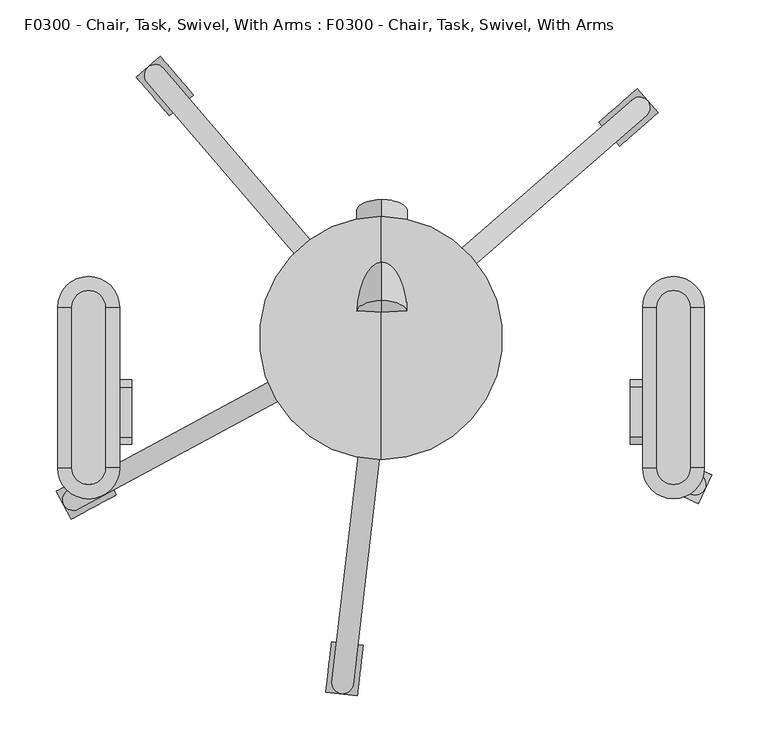
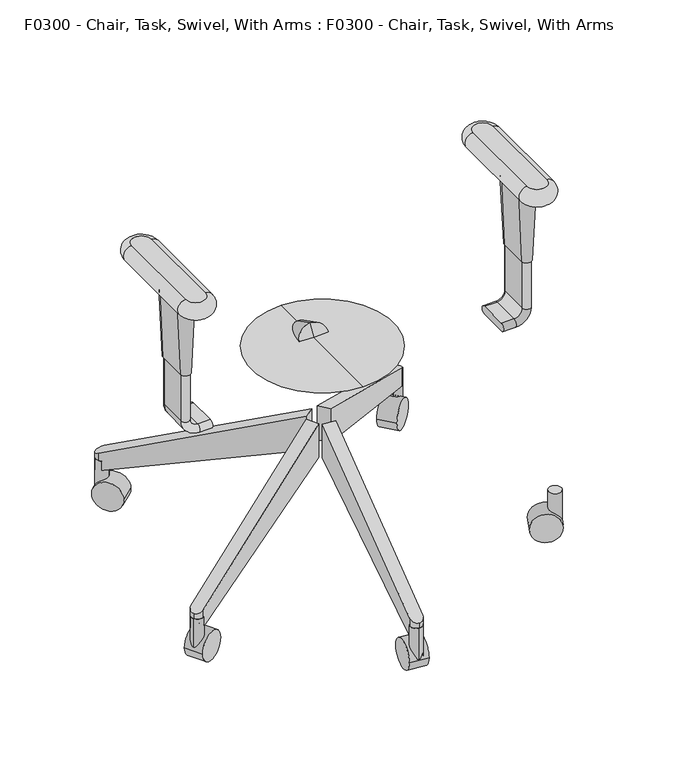
"""IFC4 building model written with IfcOpenShell, lengths in millimetres: proxy geometry, F0300 - Chair, Task, Swivel, With Arms : F0300 - Chair, Task, Swivel, With Arms."""

from ifc_helpers import new_model, si_unit, point, frame, frame_2d, origin, place, context, project, spatial, polyline, circle_curve, ellipse_curve, trimmed, segment, composite_curve, outline, extrude, source, transform, mapped, element, save
from ifc_brep_helpers import plane_surface, cylinder_surface, revolved_surface, advanced_brep


def f0300_chair_task_swivel_with_arms_f0300_chair_task_swivel_22c7d8c1(model_context):
    return source(origin(), model_context, "Body", "SolidModel", [
        advanced_brep(
        [(-244.7915853, 27.2190125, 564.9459091), (-274.5248755, 27.2190125, 564.9459091), (-274.5248755, -115.231927, 564.9459091), (-244.7915853, -115.231927, 564.9459091), (-274.5248755, 27.2190125, 539.608165), (-244.7915853, 27.2190125, 539.608165), (-244.7915853, -115.231927, 539.608165), (-274.5248755, -115.231927, 539.608165)],
        [
            (0, 1, circle_curve(frame((-259.6582304, 27.2190125, 564.9459091), z_axis=(0.0, 0.0, 1.0), x_axis=(1.0, 0.0, 0.0)), 14.8666451)),
            (1, 2),
            (2, 3, circle_curve(frame((-259.6582304, -115.231927, 564.9459091), z_axis=(0.0, 0.0, 1.0), x_axis=(-1.0, 0.0, 0.0)), 14.8666451)),
            (3, 0),
            (4, 5, circle_curve(frame((-259.6582304, 27.2190125, 539.608165), z_axis=(0.0, 0.0, -1.0), x_axis=(1.0, 0.0, 0.0)), 14.8666451)),
            (5, 6),
            (6, 7, circle_curve(frame((-259.6582304, -115.231927, 539.608165), z_axis=(0.0, 0.0, -1.0), x_axis=(-1.0, 0.0, 0.0)), 14.8666451)),
            (7, 4),
            (4, 1, circle_curve(frame((-274.5248755, 27.2190125, 552.277037), z_axis=(0.0, 1.0, 0.0), x_axis=(1.0, 0.0, 0.0)), 12.668872)),
            (0, 5, circle_curve(frame((-244.7915853, 27.2190125, 552.277037), z_axis=(0.0, 1.0, 0.0), x_axis=(-1.0, 0.0, 0.0)), 12.668872)),
            (7, 2, circle_curve(frame((-274.5248755, -115.231927, 552.277037), z_axis=(0.0, 1.0, 0.0), x_axis=(1.0, 0.0, 0.0)), 12.668872)),
            (6, 3, circle_curve(frame((-244.7915853, -115.231927, 552.277037), z_axis=(0.0, -1.0, 0.0), x_axis=(-1.0, 0.0, 0.0)), 12.668872)),
        ],
        [
            plane_surface(frame((-232.0214447, 27.2190125, 564.9459091), z_axis=(0.0, 0.0, 1.0), x_axis=(0.0, 1.0, 0.0))),
            plane_surface(frame((-232.0214447, 27.2190125, 539.608165), z_axis=(0.0, 0.0, -1.0), x_axis=(0.0, -1.0, 0.0))),
            revolved_surface(trimmed(ellipse_curve(frame((-244.7915853, 27.2190125, 552.277037), z_axis=(0.0, -1.0, 0.0), x_axis=(-1.0, 0.0, 0.0)), 12.668872, 12.668872), [point((-244.7915853, 27.2190125, 539.608165))], [point((-244.7915853, 27.2190125, 564.9459091))], True, "CARTESIAN"), (-259.6582304, 27.2190125, 564.9459091), (0.0, 0.0, 1.0)),
            cylinder_surface(frame((-274.5248755, 27.2190125, 552.277037), z_axis=(0.0, -1.0, 0.0), x_axis=(1.0, 0.0, 0.0)), 12.668872),
            revolved_surface(trimmed(ellipse_curve(frame((-274.5248755, -115.231927, 552.277037), z_axis=(0.0, 1.0, 0.0), x_axis=(1.0, 0.0, 0.0)), 12.668872, 12.668872), [point((-274.5248755, -115.231927, 539.608165))], [point((-274.5248755, -115.231927, 564.9459091))], True, "CARTESIAN"), (-259.6582304, -115.231927, 564.9459091), (0.0, 0.0, 1.0)),
            cylinder_surface(frame((-244.7915853, -115.231927, 552.277037), z_axis=(0.0, 1.0, 0.0), x_axis=(-1.0, 0.0, 0.0)), 12.668872),
        ],
        [
            (0, [[1, 2, 3, 4]]),
            (1, [[5, 6, 7, 8]]),
            (2, [[9, -1, 10, -5]]),
            (3, [[-9, -8, 11, -2]]),
            (4, [[-11, -7, 12, -3]]),
            (5, [[-10, -4, -12, -6]]),
        ],
    ),
        advanced_brep(
        [(-272.2112726, -43.5550281, 539.608165), (-272.2112726, -88.0050281, 539.608165), (-246.8112726, -88.0050281, 539.608165), (-246.8112726, -43.5550281, 539.608165), (-267.4487726, -43.5550281, 425.6440254), (-251.5737726, -43.5550281, 425.6440254), (-251.5737726, -88.0050281, 425.6440254), (-267.4487726, -88.0050281, 425.6440254)],
        [
            (0, 1),
            (1, 2, circle_curve(frame((-259.5112726, -88.0050281, 539.608165), z_axis=(0.0, 0.0, 1.0), x_axis=(-1.0, 0.0, 0.0)), 12.7)),
            (2, 3),
            (3, 0, circle_curve(frame((-259.5112726, -43.5550281, 539.608165), z_axis=(0.0, 0.0, 1.0), x_axis=(1.0, 0.0, 0.0)), 12.7)),
            (4, 5, circle_curve(frame((-259.5112726, -43.5550281, 425.6440254), z_axis=(0.0, 0.0, -1.0), x_axis=(1.0, 0.0, 0.0)), 7.9375)),
            (5, 6),
            (6, 7, circle_curve(frame((-259.5112726, -88.0050281, 425.6440254), z_axis=(0.0, 0.0, -1.0), x_axis=(-1.0, 0.0, 0.0)), 7.9375)),
            (7, 4),
            (0, 4),
            (7, 1),
            (6, 2),
            (5, 3),
        ],
        [
            plane_surface(frame((-259.5112726, -65.7800281, 539.608165), z_axis=(0.0, 0.0, 1.0), x_axis=(0.0, -1.0, 0.0))),
            plane_surface(frame((-259.5112726, -65.7800281, 425.6440254), z_axis=(0.0, 0.0, -1.0), x_axis=(0.0, -1.0, 0.0))),
            plane_surface(frame((-267.4487726, -65.7800281, 425.6440254), z_axis=(-0.9991279624642644, 0.0, -0.04175301931606388), x_axis=(0.0, -1.0, 0.0))),
            revolved_surface(polyline([(-251.57377260104474, -88.0050281, 425.6440254), (-246.8112726, -88.0050281, 539.608165)]), (-259.5112726, -88.0050281, 235.7037928), (0.0, 0.0, 1.0)),
            plane_surface(frame((-251.5737726, -65.7800281, 425.6440254), z_axis=(0.9991279624642645, 0.0, -0.04175301931606151), x_axis=(0.0, 1.0, 0.0))),
            revolved_surface(polyline([(-267.44877259895526, -43.5550281, 425.6440254), (-272.2112726, -43.5550281, 539.608165)]), (-259.5112726, -43.5550281, 235.7037928), (0.0, 0.0, 1.0)),
        ],
        [
            (0, [[1, 2, 3, 4]]),
            (1, [[5, 6, 7, 8]]),
            (2, [[-1, 9, -8, 10]]),
            (3, [[-2, -10, -7, 11]]),
            (4, [[-3, -11, -6, 12]]),
            (5, [[-4, -12, -5, -9]]),
        ],
    ),
        advanced_brep(
        [(-221.4112726, -43.5550281, 324.0440254), (-221.4112726, -43.5550281, 336.7440254), (-221.4112726, -88.0050281, 336.7440254), (-221.4112726, -88.0050281, 324.0440254), (-240.4612726, -43.5550281, 324.0440254), (-240.4612726, -43.5550281, 336.7440254), (-240.4612726, -88.0050281, 336.7440254), (-240.4612726, -88.0050281, 324.0440254), (-253.1612726, -43.5550281, 349.4440254), (-265.8612726, -43.5550281, 349.4440254), (-253.1612726, -88.0050281, 349.4440254), (-265.8612726, -88.0050281, 349.4440254), (-265.8612726, -43.5550281, 425.6440254), (-265.8612726, -88.0050281, 425.6440254), (-253.1612726, -88.0050281, 425.6440254), (-253.1612726, -43.5550281, 425.6440254)],
        [
            (0, 1, circle_curve(frame((-221.4112726, -43.5550281, 330.3940254), z_axis=(1.0, 0.0, 0.0), x_axis=(0.0, 1.0, 0.0)), 6.35)),
            (1, 2),
            (2, 3, circle_curve(frame((-221.4112726, -88.0050281, 330.3940254), z_axis=(1.0, 0.0, 0.0), x_axis=(0.0, 1.0, 0.0)), 6.35)),
            (3, 0),
            (0, 4),
            (4, 5, circle_curve(frame((-240.4612726, -43.5550281, 330.3940254), z_axis=(1.0, 0.0, 0.0), x_axis=(0.0, 1.0, 0.0)), 6.35)),
            (5, 1),
            (5, 6),
            (6, 2),
            (6, 7, circle_curve(frame((-240.4612726, -88.0050281, 330.3940254), z_axis=(1.0, 0.0, 0.0), x_axis=(0.0, 1.0, 0.0)), 6.35)),
            (7, 3),
            (7, 4),
            (8, 5, circle_curve(frame((-240.4612726, -43.5550281, 349.4440254), z_axis=(0.0, -1.0, 0.0), x_axis=(0.0, 0.0, -1.0)), 12.7)),
            (4, 9, circle_curve(frame((-240.4612726, -43.5550281, 349.4440254), z_axis=(0.0, 1.0, 0.0), x_axis=(0.0, 0.0, -1.0)), 25.4)),
            (9, 8, circle_curve(frame((-259.5112726, -43.5550281, 349.4440254), z_axis=(0.0, 0.0, -1.0), x_axis=(0.0, 1.0, 0.0)), 6.35)),
            (10, 6, circle_curve(frame((-240.4612726, -88.0050281, 349.4440254), z_axis=(0.0, -1.0, 0.0), x_axis=(0.0, 0.0, -1.0)), 12.7)),
            (8, 10),
            (11, 7, circle_curve(frame((-240.4612726, -88.0050281, 349.4440254), z_axis=(0.0, -1.0, 0.0), x_axis=(0.0, 0.0, -1.0)), 25.4)),
            (10, 11, circle_curve(frame((-259.5112726, -88.0050281, 349.4440254), z_axis=(0.0, 0.0, -1.0), x_axis=(0.0, 1.0, 0.0)), 6.35)),
            (11, 9),
            (12, 13),
            (13, 14, circle_curve(frame((-259.5112726, -88.0050281, 425.6440254), z_axis=(0.0, 0.0, 1.0), x_axis=(0.0, 1.0, 0.0)), 6.35)),
            (14, 15),
            (15, 12, circle_curve(frame((-259.5112726, -43.5550281, 425.6440254), z_axis=(0.0, 0.0, 1.0), x_axis=(0.0, 1.0, 0.0)), 6.35)),
            (9, 12),
            (15, 8),
            (14, 10),
            (13, 11),
        ],
        [
            plane_surface(frame((-221.4112726, -69.85, 324.0440254), z_axis=(1.0, 0.0, 0.0), x_axis=(0.0, 1.0, 0.0))),
            cylinder_surface(frame((-221.4112726, -43.5550281, 330.3940254), z_axis=(1.0, 0.0, 0.0), x_axis=(0.0, 1.0, 0.0)), 6.35),
            plane_surface(frame((-221.4112726, -43.5550281, 336.7440254), z_axis=(0.0, 0.0, 1.0), x_axis=(-1.0, 0.0, 0.0))),
            cylinder_surface(frame((-221.4112726, -88.0050281, 330.3940254), z_axis=(1.0, 0.0, 0.0), x_axis=(0.0, 1.0, 0.0)), 6.35),
            plane_surface(frame((-221.4112726, -88.0050281, 324.0440254), z_axis=(0.0, 0.0, -1.0), x_axis=(-1.0, 0.0, 0.0))),
            revolved_surface(trimmed(ellipse_curve(frame((-240.4612726, -43.5550281, 330.3940254), z_axis=(1.0, 0.0, 0.0), x_axis=(0.0, 1.0, 0.0)), 6.35, 6.35), [point((-240.4612726, -43.5550281, 324.0440254))], [point((-240.4612726, -43.5550281, 336.7440254))], True, "CARTESIAN"), (-240.4612726, -69.85, 349.4440254), (0.0, 1.0, 0.0)),
            revolved_surface(polyline([(-240.4612726, -43.5550281, 336.7440254), (-240.4612726, -88.0050281, 336.7440254)]), (-240.4612726, -69.85, 349.4440254), (0.0, 1.0, 0.0)),
            revolved_surface(trimmed(ellipse_curve(frame((-240.4612726, -88.0050281, 330.3940254), z_axis=(1.0, 0.0, 0.0), x_axis=(0.0, 1.0, 0.0)), 6.35, 6.35), [point((-240.4612726, -88.0050281, 336.7440254))], [point((-240.4612726, -88.0050281, 324.0440254))], True, "CARTESIAN"), (-240.4612726, -69.85, 349.4440254), (0.0, 1.0, 0.0)),
            cylinder_surface(frame((-240.4612726, -69.85, 349.4440254), z_axis=(0.0, 1.0, 0.0), x_axis=(0.0, 0.0, -1.0)), 25.4),
            plane_surface(frame((-265.8612726, -69.85, 425.6440254), z_axis=(0.0, 0.0, 1.0), x_axis=(0.0, 1.0, 0.0))),
            cylinder_surface(frame((-259.5112726, -43.5550281, 349.4440254), z_axis=(0.0, 0.0, -1.0), x_axis=(0.0, 1.0, 0.0)), 6.35),
            plane_surface(frame((-253.1612726, -43.5550281, 349.4440254), z_axis=(1.0, 0.0, 0.0), x_axis=(0.0, 0.0, 1.0))),
            cylinder_surface(frame((-259.5112726, -88.0050281, 349.4440254), z_axis=(0.0, 0.0, -1.0), x_axis=(0.0, 1.0, 0.0)), 6.35),
            plane_surface(frame((-265.8612726, -88.0050281, 349.4440254), z_axis=(-1.0, 0.0, 0.0), x_axis=(0.0, 0.0, 1.0))),
        ],
        [
            (0, [[1, 2, 3, 4]]),
            (1, [[-1, 5, 6, 7]]),
            (2, [[-2, -7, 8, 9]]),
            (3, [[-3, -9, 10, 11]]),
            (4, [[-4, -11, 12, -5]]),
            (5, [[13, -6, 14, 15]]),
            (6, [[16, -8, -13, 17]]),
            (7, [[18, -10, -16, 19]]),
            (8, [[-14, -12, -18, 20]]),
            (9, [[21, 22, 23, 24]]),
            (10, [[-15, 25, -24, 26]]),
            (11, [[-17, -26, -23, 27]]),
            (12, [[-19, -27, -22, 28]]),
            (13, [[-20, -28, -21, -25]]),
        ],
    ),
        advanced_brep(
        [(274.4746752, 27.2190125, 564.9459091), (244.8417856, 27.2190125, 564.9459091), (244.8417856, -115.231927, 564.9459091), (274.4746752, -115.231927, 564.9459091), (244.8417856, 27.2190125, 539.608165), (274.4746752, 27.2190125, 539.608165), (274.4746752, -115.231927, 539.608165), (244.8417856, -115.231927, 539.608165)],
        [
            (0, 1, circle_curve(frame((259.6582304, 27.2190125, 564.9459091), z_axis=(0.0, 0.0, 1.0), x_axis=(1.0, 0.0, 0.0)), 14.8164448)),
            (1, 2),
            (2, 3, circle_curve(frame((259.6582304, -115.231927, 564.9459091), z_axis=(0.0, 0.0, 1.0), x_axis=(-1.0, 0.0, 0.0)), 14.8164448)),
            (3, 0),
            (4, 5, circle_curve(frame((259.6582304, 27.2190125, 539.608165), z_axis=(0.0, 0.0, -1.0), x_axis=(1.0, 0.0, 0.0)), 14.8164448)),
            (5, 6),
            (6, 7, circle_curve(frame((259.6582304, -115.231927, 539.608165), z_axis=(0.0, 0.0, -1.0), x_axis=(-1.0, 0.0, 0.0)), 14.8164448)),
            (7, 4),
            (4, 1, circle_curve(frame((244.8417856, 27.2190125, 552.277037), z_axis=(0.0, 1.0, 0.0), x_axis=(1.0, 0.0, 0.0)), 12.668872)),
            (0, 5, circle_curve(frame((274.4746752, 27.2190125, 552.277037), z_axis=(0.0, 1.0, 0.0), x_axis=(-1.0, 0.0, 0.0)), 12.668872)),
            (7, 2, circle_curve(frame((244.8417856, -115.231927, 552.277037), z_axis=(0.0, 1.0, 0.0), x_axis=(1.0, 0.0, 0.0)), 12.668872)),
            (6, 3, circle_curve(frame((274.4746752, -115.231927, 552.277037), z_axis=(0.0, -1.0, 0.0), x_axis=(-1.0, 0.0, 0.0)), 12.668872)),
        ],
        [
            plane_surface(frame((232.0214447, 21.1606364, 564.9459091), z_axis=(0.0, 0.0, 1.0), x_axis=(0.0, -1.0, 0.0))),
            plane_surface(frame((232.0214447, 21.1606364, 539.608165), z_axis=(0.0, 0.0, -1.0), x_axis=(0.0, 1.0, 0.0))),
            revolved_surface(trimmed(ellipse_curve(frame((274.4746752, 27.2190125, 552.277037), z_axis=(0.0, -1.0, 0.0), x_axis=(-1.0, 0.0, 0.0)), 12.668872, 12.668872), [point((274.4746752, 27.2190125, 539.608165))], [point((274.4746752, 27.2190125, 564.9459091))], True, "CARTESIAN"), (259.6582304, 27.2190125, 564.9459091), (0.0, 0.0, 1.0)),
            cylinder_surface(frame((244.8417856, 27.2190125, 552.277037), z_axis=(0.0, -1.0, 0.0), x_axis=(1.0, 0.0, 0.0)), 12.668872),
            revolved_surface(trimmed(ellipse_curve(frame((244.8417856, -115.231927, 552.277037), z_axis=(0.0, 1.0, 0.0), x_axis=(1.0, 0.0, 0.0)), 12.668872, 12.668872), [point((244.8417856, -115.231927, 539.608165))], [point((244.8417856, -115.231927, 564.9459091))], True, "CARTESIAN"), (259.6582304, -115.231927, 564.9459091), (0.0, 0.0, 1.0)),
            cylinder_surface(frame((274.4746752, -115.231927, 552.277037), z_axis=(0.0, 1.0, 0.0), x_axis=(-1.0, 0.0, 0.0)), 12.668872),
        ],
        [
            (0, [[1, 2, 3, 4]]),
            (1, [[5, 6, 7, 8]]),
            (2, [[9, -1, 10, -5]]),
            (3, [[-9, -8, 11, -2]]),
            (4, [[-11, -7, 12, -3]]),
            (5, [[-10, -4, -12, -6]]),
        ],
    ),
        advanced_brep(
        [(272.2112726, -43.5550281, 539.608165), (246.8112726, -43.5550281, 539.608165), (246.8112726, -88.0050281, 539.608165), (272.2112726, -88.0050281, 539.608165), (267.4487726, -43.5550281, 425.6440254), (267.4487726, -88.0050281, 425.6440254), (251.5737726, -88.0050281, 425.6440254), (251.5737726, -43.5550281, 425.6440254)],
        [
            (0, 1, circle_curve(frame((259.5112726, -43.5550281, 539.608165), z_axis=(0.0, 0.0, 1.0), x_axis=(1.0, 0.0, 0.0)), 12.7)),
            (1, 2),
            (2, 3, circle_curve(frame((259.5112726, -88.0050281, 539.608165), z_axis=(0.0, 0.0, 1.0), x_axis=(-1.0, 0.0, 0.0)), 12.7)),
            (3, 0),
            (4, 5),
            (5, 6, circle_curve(frame((259.5112726, -88.0050281, 425.6440254), z_axis=(0.0, 0.0, -1.0), x_axis=(-1.0, 0.0, 0.0)), 7.9375)),
            (6, 7),
            (7, 4, circle_curve(frame((259.5112726, -43.5550281, 425.6440254), z_axis=(0.0, 0.0, -1.0), x_axis=(1.0, 0.0, 0.0)), 7.9375)),
            (0, 4),
            (7, 1),
            (6, 2),
            (5, 3),
        ],
        [
            plane_surface(frame((259.5112726, -65.7800281, 539.608165), z_axis=(0.0, 0.0, 1.0), x_axis=(0.0, 1.0, 0.0))),
            plane_surface(frame((259.5112726, -65.7800281, 425.6440254), z_axis=(0.0, 0.0, -1.0), x_axis=(0.0, 1.0, 0.0))),
            revolved_surface(polyline([(251.57377260104474, -43.5550281, 425.6440254), (246.8112726, -43.5550281, 539.608165)]), (259.5112726, -43.5550281, 235.7037928), (0.0, 0.0, 1.0)),
            plane_surface(frame((251.5737726, -65.7800281, 425.6440254), z_axis=(-0.9991279624642644, 0.0, -0.04175301931606269), x_axis=(0.0, -1.0, 0.0))),
            revolved_surface(polyline([(267.44877259895526, -88.0050281, 425.6440254), (272.2112726, -88.0050281, 539.608165)]), (259.5112726, -88.0050281, 235.7037928), (0.0, 0.0, 1.0)),
            plane_surface(frame((267.4487726, -65.7800281, 425.6440254), z_axis=(0.9991279624642644, 0.0, -0.04175301931606269), x_axis=(0.0, 1.0, 0.0))),
        ],
        [
            (0, [[1, 2, 3, 4]]),
            (1, [[5, 6, 7, 8]]),
            (2, [[-1, 9, -8, 10]]),
            (3, [[-2, -10, -7, 11]]),
            (4, [[-3, -11, -6, 12]]),
            (5, [[-4, -12, -5, -9]]),
        ],
    ),
        advanced_brep(
        [(221.4112726, -43.5550281, 324.0440254), (221.4112726, -88.0050281, 324.0440254), (221.4112726, -88.0050281, 336.7440254), (221.4112726, -43.5550281, 336.7440254), (240.4612726, -43.5550281, 324.0440254), (240.4612726, -88.0050281, 324.0440254), (240.4612726, -88.0050281, 336.7440254), (240.4612726, -43.5550281, 336.7440254), (265.8612726, -88.0050281, 349.4440254), (265.8612726, -43.5550281, 349.4440254), (253.1612726, -88.0050281, 349.4440254), (253.1612726, -43.5550281, 349.4440254), (265.8612726, -43.5550281, 425.6440254), (253.1612726, -43.5550281, 425.6440254), (253.1612726, -88.0050281, 425.6440254), (265.8612726, -88.0050281, 425.6440254)],
        [
            (0, 1),
            (1, 2, circle_curve(frame((221.4112726, -88.0050281, 330.3940254), z_axis=(-1.0, 0.0, 0.0), x_axis=(0.0, 1.0, 0.0)), 6.35)),
            (2, 3),
            (3, 0, circle_curve(frame((221.4112726, -43.5550281, 330.3940254), z_axis=(-1.0, 0.0, 0.0), x_axis=(0.0, 1.0, 0.0)), 6.35)),
            (0, 4),
            (4, 5),
            (5, 1),
            (5, 6, circle_curve(frame((240.4612726, -88.0050281, 330.3940254), z_axis=(-1.0, 0.0, 0.0), x_axis=(0.0, 1.0, 0.0)), 6.35)),
            (6, 2),
            (6, 7),
            (7, 3),
            (7, 4, circle_curve(frame((240.4612726, -43.5550281, 330.3940254), z_axis=(-1.0, 0.0, 0.0), x_axis=(0.0, 1.0, 0.0)), 6.35)),
            (8, 5, circle_curve(frame((240.4612726, -88.0050281, 349.4440254), z_axis=(0.0, 1.0, 0.0), x_axis=(0.0, 0.0, -1.0)), 25.4)),
            (4, 9, circle_curve(frame((240.4612726, -43.5550281, 349.4440254), z_axis=(0.0, -1.0, 0.0), x_axis=(0.0, 0.0, -1.0)), 25.4)),
            (9, 8),
            (10, 6, circle_curve(frame((240.4612726, -88.0050281, 349.4440254), z_axis=(0.0, 1.0, 0.0), x_axis=(0.0, 0.0, -1.0)), 12.7)),
            (8, 10, circle_curve(frame((259.5112726, -88.0050281, 349.4440254), z_axis=(0.0, 0.0, -1.0), x_axis=(0.0, 1.0, 0.0)), 6.35)),
            (11, 7, circle_curve(frame((240.4612726, -43.5550281, 349.4440254), z_axis=(0.0, 1.0, 0.0), x_axis=(0.0, 0.0, -1.0)), 12.7)),
            (10, 11),
            (11, 9, circle_curve(frame((259.5112726, -43.5550281, 349.4440254), z_axis=(0.0, 0.0, -1.0), x_axis=(0.0, 1.0, 0.0)), 6.35)),
            (12, 13, circle_curve(frame((259.5112726, -43.5550281, 425.6440254), z_axis=(0.0, 0.0, 1.0), x_axis=(0.0, 1.0, 0.0)), 6.35)),
            (13, 14),
            (14, 15, circle_curve(frame((259.5112726, -88.0050281, 425.6440254), z_axis=(0.0, 0.0, 1.0), x_axis=(0.0, 1.0, 0.0)), 6.35)),
            (15, 12),
            (9, 12),
            (15, 8),
            (14, 10),
            (13, 11),
        ],
        [
            plane_surface(frame((221.4112726, -69.85, 324.0440254), z_axis=(-1.0, 0.0, 0.0), x_axis=(0.0, 1.0, 0.0))),
            plane_surface(frame((221.4112726, -43.5550281, 324.0440254), z_axis=(0.0, 0.0, -1.0), x_axis=(1.0, 0.0, 0.0))),
            cylinder_surface(frame((221.4112726, -88.0050281, 330.3940254), z_axis=(-1.0, 0.0, 0.0), x_axis=(0.0, 1.0, 0.0)), 6.35),
            plane_surface(frame((221.4112726, -88.0050281, 336.7440254), z_axis=(0.0, 0.0, 1.0), x_axis=(1.0, 0.0, 0.0))),
            cylinder_surface(frame((221.4112726, -43.5550281, 330.3940254), z_axis=(-1.0, 0.0, 0.0), x_axis=(0.0, 1.0, 0.0)), 6.35),
            cylinder_surface(frame((240.4612726, -69.85, 349.4440254), z_axis=(0.0, -1.0, 0.0), x_axis=(0.0, 0.0, -1.0)), 25.4),
            revolved_surface(trimmed(ellipse_curve(frame((240.4612726, -88.0050281, 330.3940254), z_axis=(-1.0, 0.0, 0.0), x_axis=(0.0, 1.0, 0.0)), 6.35, 6.35), [point((240.4612726, -88.0050281, 324.0440254))], [point((240.4612726, -88.0050281, 336.7440254))], True, "CARTESIAN"), (240.4612726, -69.85, 349.4440254), (0.0, -1.0, 0.0)),
            revolved_surface(polyline([(240.4612726, -88.0050281, 336.7440254), (240.4612726, -43.5550281, 336.7440254)]), (240.4612726, -69.85, 349.4440254), (0.0, -1.0, 0.0)),
            revolved_surface(trimmed(ellipse_curve(frame((240.4612726, -43.5550281, 330.3940254), z_axis=(-1.0, 0.0, 0.0), x_axis=(0.0, 1.0, 0.0)), 6.35, 6.35), [point((240.4612726, -43.5550281, 336.7440254))], [point((240.4612726, -43.5550281, 324.0440254))], True, "CARTESIAN"), (240.4612726, -69.85, 349.4440254), (0.0, -1.0, 0.0)),
            plane_surface(frame((265.8612726, -69.85, 425.6440254), z_axis=(0.0, 0.0, 1.0), x_axis=(0.0, 1.0, 0.0))),
            plane_surface(frame((265.8612726, -43.5550281, 349.4440254), z_axis=(1.0, 0.0, 0.0), x_axis=(0.0, 0.0, 1.0))),
            cylinder_surface(frame((259.5112726, -88.0050281, 349.4440254), z_axis=(0.0, 0.0, -1.0), x_axis=(0.0, 1.0, 0.0)), 6.35),
            plane_surface(frame((253.1612726, -88.0050281, 349.4440254), z_axis=(-1.0, 0.0, 0.0), x_axis=(0.0, 0.0, 1.0))),
            cylinder_surface(frame((259.5112726, -43.5550281, 349.4440254), z_axis=(0.0, 0.0, -1.0), x_axis=(0.0, 1.0, 0.0)), 6.35),
        ],
        [
            (0, [[1, 2, 3, 4]]),
            (1, [[-1, 5, 6, 7]]),
            (2, [[-2, -7, 8, 9]]),
            (3, [[-3, -9, 10, 11]]),
            (4, [[-4, -11, 12, -5]]),
            (5, [[13, -6, 14, 15]]),
            (6, [[16, -8, -13, 17]]),
            (7, [[18, -10, -16, 19]]),
            (8, [[-14, -12, -18, 20]]),
            (9, [[21, 22, 23, 24]]),
            (10, [[-15, 25, -24, 26]]),
            (11, [[-17, -26, -23, 27]]),
            (12, [[-19, -27, -22, 28]]),
            (13, [[-20, -28, -21, -25]]),
        ],
    ),
        advanced_brep(
        [(0.7579549, 12.6773619, 300.8203454), (0.7579549, 33.1714503, 341.0422587), (0.7579549, 21.8704355, 321.4683269), (0.7579549, 102.4414689, 255.0832484), (0.7579549, 122.9355573, 295.3051617), (0.7579549, 118.1865878, 272.3927961)],
        [
            (0, 1, circle_curve(frame((0.7579549, 22.9244061, 320.931302), z_axis=(0.0, -0.8910065241883681, 0.45399049973954636), x_axis=(0.0, 0.45399049973954636, 0.8910065241883681)), 22.5710543)),
            (1, 2),
            (2, 0),
            (1, 0, circle_curve(frame((0.7579549, 22.9244061, 320.931302), z_axis=(0.0, -0.8910065241883681, 0.45399049973954636), x_axis=(0.0, 0.45399049973954636, 0.8910065241883681)), 22.5710543)),
            (3, 4, circle_curve(frame((0.7579549, 112.6885131, 275.1942051), z_axis=(0.0, -0.8910065241883681, 0.45399049973954636), x_axis=(0.0, 0.45399049973954636, 0.8910065241883681)), 22.5710543)),
            (4, 1),
            (0, 3),
            (4, 3, circle_curve(frame((0.7579549, 112.6885131, 275.1942051), z_axis=(0.0, -0.8910065241883681, 0.45399049973954636), x_axis=(0.0, 0.45399049973954636, 0.8910065241883681)), 22.5710543)),
            (5, 4, circle_curve(frame((0.7579549, 78.6564404, 292.5344122), z_axis=(1.0, 0.0, 0.0), x_axis=(0.0, 1.0, 0.0)), 44.3657216)),
            (3, 5, circle_curve(frame((0.7579549, 78.6564404, 292.5344122), z_axis=(1.0, 0.0, 0.0), x_axis=(0.0, 0.587785252292474, -0.8090169943749469)), 44.3657216)),
        ],
        [
            revolved_surface(polyline([(0.7579549, 21.8704355, 321.4683269), (0.7579549, 33.1714503, 341.0422587)]), (0.7579549, 51.7360219, 306.2510506), (0.0, 0.8910065241883681, -0.45399049973954636)),
            cylinder_surface(frame((0.7579549, 51.7360219, 306.2510506), z_axis=(0.0, 0.8910065241883681, -0.45399049973954636), x_axis=(0.0, 0.45399049973954636, 0.8910065241883681)), 22.5710543),
            revolved_surface(trimmed(ellipse_curve(frame((0.7579549, 78.6564404, 292.5344122), z_axis=(-1.0, 0.0, 0.0), x_axis=(0.0, 1.0, 0.0)), 44.3657216, 44.3657216), [point((0.7579549, 122.9355573, 295.3051617))], [point((0.7579549, 118.1865878, 272.3927961))], True, "CARTESIAN"), (0.7579549, 51.7360219, 306.2510506), (0.0, 0.8910065241883681, -0.45399049973954636)),
        ],
        [
            (0, [[1, 2, 3]]),
            (0, [[4, -3, -2]]),
            (1, [[5, 6, -1, 7]]),
            (1, [[8, -7, -4, -6]]),
            (2, [[9, -5, 10]]),
            (2, [[-10, -8, -9]]),
        ],
    ),
        advanced_brep(
        [(0.0, 0.0, 324.0440254), (0.0, -107.95, 324.0440254), (0.0, 107.95, 324.0440254), (0.0, 12.7, 278.9664474), (0.0, -12.7, 278.9664474), (0.0, 0.0, 278.9664474)],
        [
            (0, 1),
            (1, 2, circle_curve(frame((0.0, 0.0, 324.0440254), z_axis=(0.0, 0.0, 1.0), x_axis=(0.0, -1.0, 0.0)), 107.95)),
            (2, 0),
            (2, 1, circle_curve(frame((0.0, 0.0, 324.0440254), z_axis=(0.0, 0.0, 1.0), x_axis=(0.0, -1.0, 0.0)), 107.95)),
            (3, 4, circle_curve(frame((0.0, 0.0, 278.9664474), z_axis=(0.0, 0.0, -1.0), x_axis=(0.0, -1.0, 0.0)), 12.7)),
            (4, 5),
            (5, 3),
            (4, 3, circle_curve(frame((0.0, 0.0, 278.9664474), z_axis=(0.0, 0.0, -1.0), x_axis=(0.0, -1.0, 0.0)), 12.7)),
            (1, 4),
            (3, 2),
        ],
        [
            plane_surface(frame((0.0, 0.0, 324.0440254), z_axis=(0.0, 0.0, 1.0), x_axis=(0.0, -1.0, 0.0))),
            plane_surface(frame((0.0, 0.0, 278.9664474), z_axis=(0.0, 0.0, -1.0), x_axis=(0.0, -1.0, 0.0))),
            revolved_surface(polyline([(0.0, -12.7, 278.9664474), (0.0, -107.95, 324.0440254)]), (0.0, 0.0, 278.9664474), (0.0, 0.0, 1.0)),
        ],
        [
            (0, [[1, 2, 3]]),
            (0, [[-3, 4, -1]]),
            (1, [[5, 6, 7]]),
            (1, [[8, -7, -6]]),
            (2, [[-2, 9, -5, 10]]),
            (2, [[-4, -10, -8, -9]]),
        ],
    ),
        advanced_brep(
        [(-35.2798856, -315.6318237, 73.9191719), (-24.8402492, -307.735782, 73.9191719), (-33.0987126, -296.8169749, 73.9191719), (-43.6580109, -306.0440949, 73.9191719), (-35.2798856, -315.6318237, 24.010186), (-43.6580109, -306.0440949, 24.010186), (-33.0987126, -296.8169749, 24.010186), (-24.8402492, -307.735782, 24.010186)],
        [
            (0, 1, circle_curve(frame((-34.1892991, -306.2243993, 73.9191719), z_axis=(0.0, 0.0, 1.0), x_axis=(0.1151570430509366, 0.9933472984992534, 0.0)), 9.4704283)),
            (1, 2, circle_curve(frame((-34.1892991, -306.2243993, 73.9191719), z_axis=(0.0, 0.0, 1.0), x_axis=(0.1151570430509366, 0.9933472984992534, 0.0)), 9.4704283)),
            (2, 3, circle_curve(frame((-34.1892991, -306.2243993, 73.9191719), z_axis=(0.0, 0.0, 1.0), x_axis=(0.1151570430509366, 0.9933472984992534, 0.0)), 9.4704283)),
            (3, 0, circle_curve(frame((-34.1892991, -306.2243993, 73.9191719), z_axis=(0.0, 0.0, 1.0), x_axis=(0.1151570430509366, 0.9933472984992534, 0.0)), 9.4704283)),
            (4, 5, circle_curve(frame((-34.1892991, -306.2243993, 24.010186), z_axis=(0.0, 0.0, -1.0), x_axis=(0.1151570430509366, 0.9933472984992534, 0.0)), 9.4704283)),
            (5, 6, circle_curve(frame((-34.1892991, -306.2243993, 24.010186), z_axis=(0.0, 0.0, -1.0), x_axis=(0.1151570430509366, 0.9933472984992534, 0.0)), 9.4704283)),
            (6, 7, circle_curve(frame((-34.1892991, -306.2243993, 24.010186), z_axis=(0.0, 0.0, -1.0), x_axis=(0.1151570430509366, 0.9933472984992534, 0.0)), 9.4704283)),
            (7, 4, circle_curve(frame((-34.1892991, -306.2243993, 24.010186), z_axis=(0.0, 0.0, -1.0), x_axis=(0.1151570430509366, 0.9933472984992534, 0.0)), 9.4704283)),
            (0, 4),
            (6, 2),
        ],
        [
            plane_surface(frame((-33.0987126, -296.8169749, 73.9191719), z_axis=(0.0, 0.0, 1.0000000000000002), x_axis=(-0.9933472984992534, 0.1151570430509366, 0.0))),
            plane_surface(frame((-33.0987126, -296.8169749, 24.010186), z_axis=(0.0, 0.0, -1.0000000000000002), x_axis=(0.9933472984992534, -0.1151570430509366, 0.0))),
            cylinder_surface(frame((-34.1892991, -306.2243993, 24.010186), z_axis=(0.0, 0.0, 1.0000000000000002), x_axis=(0.1151570430509366, 0.9933472984992534, 0.0)), 9.4704283),
        ],
        [
            (0, [[1, 2, 3, 4]]),
            (1, [[5, 6, 7, 8]]),
            (2, [[9, -8, -7, 10, -2, -1]]),
            (2, [[-9, -4, -3, -10, -6, -5]]),
        ],
    ),
        advanced_brep(
        [(-10.2230636, -17.6334713, 158.3164474), (-10.2230636, -17.6334713, 212.7487443), (8.5386668, -19.8084865, 212.7487443), (8.5386668, -19.8084865, 158.3164474), (-24.8402492, -307.735782, 57.8258095), (-35.2798856, -315.6318237, 54.689734), (-43.6580109, -306.0440949, 57.6571213), (-24.8402492, -307.735782, 86.2220806), (-43.6580109, -306.0440949, 86.0096871), (-35.2798856, -315.6318237, 82.2734822)],
        [
            (0, 1),
            (1, 2),
            (2, 3),
            (3, 0),
            (3, 4),
            (4, 5, ellipse_curve(frame((-34.1892991, -306.2243993, 57.9730562), z_axis=(0.03772137343102609, 0.3253854336709328, -0.9448287768380345), x_axis=(-0.1088036881301013, -0.9385431130164155, -0.3275646233321655)), 10.0234334, 9.4704283)),
            (5, 6, ellipse_curve(frame((-34.1892991, -306.2243993, 57.9730562), z_axis=(0.03772137343102609, 0.3253854336709328, -0.9448287768380345), x_axis=(-0.1088036881301013, -0.9385431130164155, -0.3275646233321655)), 10.0234334, 9.4704283)),
            (6, 0),
            (2, 7),
            (7, 4),
            (1, 8),
            (8, 9, ellipse_curve(frame((-34.1892991, -306.2243993, 86.4074773), z_axis=(-0.046069943732865715, -0.3974003928601444, 0.9164881276039825), x_axis=(-0.10554006276616408, -0.910391005662055, -0.400061885163966)), 10.333389, 9.4704283)),
            (9, 7, ellipse_curve(frame((-34.1892991, -306.2243993, 86.4074773), z_axis=(-0.046069943732865715, -0.3974003928601444, 0.9164881276039825), x_axis=(-0.10554006276616408, -0.910391005662055, -0.400061885163966)), 10.333389, 9.4704283)),
            (6, 8),
            (5, 9),
        ],
        [
            plane_surface(frame((-0.8421984, -18.7209789, 185.5325958), z_axis=(0.11515704305094802, 0.9933472984992521, 0.0), x_axis=(0.0, 0.0, 1.0))),
            plane_surface(frame((-0.8421984, -18.7209789, 158.3164474), z_axis=(0.03772137343102609, 0.3253854336709328, -0.9448287768380345), x_axis=(0.9933472984992534, -0.1151570430509366, 0.0))),
            plane_surface(frame((8.5386668, -19.8084865, 185.5325958), z_axis=(0.9933472984992534, -0.11515704305093587, 0.0), x_axis=(0.0, 0.0, 1.0))),
            plane_surface(frame((-0.8421984, -18.7209789, 212.7487443), z_axis=(-0.046069943732865715, -0.3974003928601444, 0.9164881276039825), x_axis=(-0.9933472984992534, 0.1151570430509366, 0.0))),
            plane_surface(frame((-10.2230636, -17.6334713, 185.5325958), z_axis=(-0.9933472984992533, 0.11515704305093748, 0.0), x_axis=(0.0, 0.0, -1.0))),
            cylinder_surface(frame((-34.1892991, -306.2243993, 0.0), z_axis=(0.0, 0.0, -1.0000000000000002), x_axis=(0.1151570430509366, 0.9933472984992534, 0.0)), 9.4704283),
        ],
        [
            (0, [[1, 2, 3, 4]]),
            (1, [[-4, 5, 6, 7, 8]]),
            (2, [[-3, 9, 10, -5]]),
            (3, [[-2, 11, 12, 13, -9]]),
            (4, [[-1, -8, 14, -11]]),
            (5, [[15, -12, -14, -7]]),
            (5, [[-15, -6, -10, -13]]),
        ],
    ),
        extrude(outline(composite_curve([segment(trimmed(circle_curve(frame_2d((0.0, -22.5683941)), 22.5683942), [point((0.0, -45.1367884))], [point((0.0, 0.0))], False, "CARTESIAN"), True, "CONTINUOUS"), segment(trimmed(circle_curve(frame_2d((0.0, -22.5683941)), 22.5683942), [point((0.0, 0.0))], [point((0.0, -45.1367884))], False, "CARTESIAN"), True, "CONTINUOUS")], self_intersect=False)), frame((-235.2623876, -139.2887519, 22.3266274), z_axis=(-0.475429476302697, 0.8797538366284875, 0.0), x_axis=(0.0, 0.0, 1.0)), (0.0, 0.0, 1.0), 28.170451),
        extrude(outline(composite_curve([segment(trimmed(circle_curve(frame_2d((0.0, -22.5683942)), 22.5683942), [point((0.0, -45.1367883))], [point((0.0, 0.0))], False, "CARTESIAN"), True, "CONTINUOUS"), segment(trimmed(circle_curve(frame_2d((0.0, -22.5683942)), 22.5683942), [point((0.0, 0.0))], [point((0.0, -45.1367883))], False, "CARTESIAN"), True, "CONTINUOUS")], self_intersect=False)), frame((-15.9266679, -272.6485115, 22.3266274), z_axis=(-0.9933472984992534, 0.1151570430509366, 0.0), x_axis=(0.0, 0.0, 1.0)), (0.0, 0.0, 1.0), 28.170451),
        advanced_brep(
        [(-281.5728053, -148.089739, 73.9191719), (-269.1168171, -152.1124051, 73.9191719), (-264.909514, -139.0846975, 73.9191719), (-278.5244929, -135.7274853, 73.9191719), (-281.5728053, -148.089739, 24.010186), (-278.5244929, -135.7274853, 24.010186), (-264.909514, -139.0846975, 24.010186), (-269.1168171, -152.1124051, 24.010186)],
        [
            (0, 1, circle_curve(frame((-273.2411596, -143.5872182, 73.9191719), z_axis=(0.0, 0.0, 1.0), x_axis=(0.8797538366284874, 0.475429476302697, 0.0)), 9.4704283)),
            (1, 2, circle_curve(frame((-273.2411596, -143.5872182, 73.9191719), z_axis=(0.0, 0.0, 1.0), x_axis=(0.8797538366284874, 0.475429476302697, 0.0)), 9.4704283)),
            (2, 3, circle_curve(frame((-273.2411596, -143.5872182, 73.9191719), z_axis=(0.0, 0.0, 1.0), x_axis=(0.8797538366284874, 0.475429476302697, 0.0)), 9.4704283)),
            (3, 0, circle_curve(frame((-273.2411596, -143.5872182, 73.9191719), z_axis=(0.0, 0.0, 1.0), x_axis=(0.8797538366284874, 0.475429476302697, 0.0)), 9.4704283)),
            (4, 5, circle_curve(frame((-273.2411596, -143.5872182, 24.010186), z_axis=(0.0, 0.0, -1.0), x_axis=(0.8797538366284874, 0.475429476302697, 0.0)), 9.4704283)),
            (5, 6, circle_curve(frame((-273.2411596, -143.5872182, 24.010186), z_axis=(0.0, 0.0, -1.0), x_axis=(0.8797538366284874, 0.475429476302697, 0.0)), 9.4704283)),
            (6, 7, circle_curve(frame((-273.2411596, -143.5872182, 24.010186), z_axis=(0.0, 0.0, -1.0), x_axis=(0.8797538366284874, 0.475429476302697, 0.0)), 9.4704283)),
            (7, 4, circle_curve(frame((-273.2411596, -143.5872182, 24.010186), z_axis=(0.0, 0.0, -1.0), x_axis=(0.8797538366284874, 0.475429476302697, 0.0)), 9.4704283)),
            (0, 4),
            (6, 2),
        ],
        [
            plane_surface(frame((-264.909514, -139.0846975, 73.9191719), z_axis=(0.0, 0.0, 1.0), x_axis=(-0.475429476302697, 0.8797538366284874, 0.0))),
            plane_surface(frame((-264.909514, -139.0846975, 24.010186), z_axis=(0.0, 0.0, -1.0), x_axis=(0.475429476302697, -0.8797538366284874, 0.0))),
            cylinder_surface(frame((-273.2411596, -143.5872182, 24.010186), z_axis=(0.0, 0.0, 1.0), x_axis=(0.8797538366284874, 0.475429476302697, 0.0)), 9.4704283),
        ],
        [
            (0, [[1, 2, 3, 4]]),
            (1, [[5, 6, 7, 8]]),
            (2, [[9, -8, -7, 10, -2, -1]]),
            (2, [[-9, -4, -3, -10, -6, -5]]),
        ],
    ),
        advanced_brep(
        [(-23.0948431, 2.3097469, 158.3164474), (-23.0948431, 2.3097469, 212.7487443), (-14.1152247, -14.3065003, 212.7487443), (-14.1152247, -14.3065003, 158.3164474), (-269.1168171, -152.1124051, 57.8258095), (-281.5728053, -148.089739, 54.689734), (-278.5244929, -135.7274853, 57.6571213), (-269.1168171, -152.1124051, 86.2220806), (-278.5244929, -135.7274853, 86.0096871), (-281.5728053, -148.089739, 82.2734822)],
        [
            (0, 1),
            (1, 2),
            (2, 3),
            (3, 0),
            (3, 4),
            (4, 5, ellipse_curve(frame((-273.2411596, -143.5872182, 57.9730562), z_axis=(0.28817623412023846, 0.15573387732610194, -0.9448287768380345), x_axis=(-0.8312167413802618, -0.44919945056782457, -0.32756462333216557)), 10.0234334, 9.4704283)),
            (5, 6, ellipse_curve(frame((-273.2411596, -143.5872182, 57.9730562), z_axis=(0.28817623412023846, 0.15573387732610194, -0.9448287768380345), x_axis=(-0.8312167413802618, -0.44919945056782457, -0.32756462333216557)), 10.0234334, 9.4704283)),
            (6, 0),
            (2, 7),
            (7, 4),
            (1, 8),
            (8, 9, ellipse_curve(frame((-273.2411596, -143.5872182, 86.4074773), z_axis=(-0.35195597836182463, -0.19020121255217418, 0.9164881276039823), x_axis=(-0.8062839464840623, -0.43572547054440075, -0.40006188516396635)), 10.333389, 9.4704283)),
            (9, 7, ellipse_curve(frame((-273.2411596, -143.5872182, 86.4074773), z_axis=(-0.35195597836182463, -0.19020121255217418, 0.9164881276039823), x_axis=(-0.8062839464840623, -0.43572547054440075, -0.40006188516396635)), 10.333389, 9.4704283)),
            (6, 8),
            (5, 9),
        ],
        [
            plane_surface(frame((-18.6050339, -5.9983767, 185.5325958), z_axis=(0.8797538366284872, 0.4754294763026976, 0.0), x_axis=(0.0, 0.0, 1.0))),
            plane_surface(frame((-18.6050339, -5.9983767, 158.3164474), z_axis=(0.28817623412023846, 0.15573387732610194, -0.9448287768380345), x_axis=(0.475429476302697, -0.8797538366284874, 0.0))),
            plane_surface(frame((-14.1152247, -14.3065003, 185.5325958), z_axis=(0.475429476302697, -0.8797538366284875, 0.0), x_axis=(0.0, 0.0, 1.0))),
            plane_surface(frame((-18.6050339, -5.9983767, 212.7487443), z_axis=(-0.35195597836182463, -0.19020121255217418, 0.9164881276039823), x_axis=(-0.475429476302697, 0.8797538366284874, 0.0))),
            plane_surface(frame((-23.0948431, 2.3097469, 185.5325958), z_axis=(-0.4754294763026961, 0.8797538366284879, 0.0), x_axis=(0.0, 0.0, -1.0))),
            cylinder_surface(frame((-273.2411596, -143.5872182, 0.0), z_axis=(0.0, 0.0, -1.0), x_axis=(0.8797538366284874, 0.475429476302697, 0.0)), 9.4704283),
        ],
        [
            (0, [[1, 2, 3, 4]]),
            (1, [[-4, 5, 6, 7, 8]]),
            (2, [[-3, 9, 10, -5]]),
            (3, [[-2, 11, 12, 13, -9]]),
            (4, [[-1, -8, 14, -11]]),
            (5, [[15, -12, -14, -7]]),
            (5, [[-15, -6, -10, -13]]),
        ],
    ),
        extrude(outline(composite_curve([segment(trimmed(circle_curve(frame_2d((0.0, -22.5683941)), 22.5683942), [point((0.0, -45.1367883))], [point((0.0, 0.0))], False, "CARTESIAN"), True, "CONTINUOUS"), segment(trimmed(circle_curve(frame_2d((0.0, -22.5683941)), 22.5683942), [point((0.0, 0.0))], [point((0.0, -45.1367883))], False, "CARTESIAN"), True, "CONTINUOUS")], self_intersect=False)), frame((-188.0389342, 197.5208075, 22.3266274), z_axis=(0.7591272317932002, 0.6509422754361504, 0.0), x_axis=(0.0, 0.0, 1.0)), (0.0, 0.0, 1.0), 28.170451),
        advanced_brep(
        [(-206.7344855, 240.6707437, 73.9191719), (-208.3188762, 228.0371681, 73.9191719), (-194.4050812, 226.2922237, 73.9191719), (-193.6642242, 239.9623991, 73.9191719), (-206.7344855, 240.6707437, 24.010186), (-193.6642242, 239.9623991, 24.010186), (-194.4050812, 226.2922237, 24.010186), (-208.3188762, 228.0371681, 24.010186)],
        [
            (0, 1, circle_curve(frame((-200.5697833, 233.4814837, 73.9191719), z_axis=(0.0, 0.0, 1.0), x_axis=(0.6509422754361504, -0.7591272317932001, 0.0)), 9.4704283)),
            (1, 2, circle_curve(frame((-200.5697833, 233.4814837, 73.9191719), z_axis=(0.0, 0.0, 1.0), x_axis=(0.6509422754361504, -0.7591272317932001, 0.0)), 9.4704283)),
            (2, 3, circle_curve(frame((-200.5697833, 233.4814837, 73.9191719), z_axis=(0.0, 0.0, 1.0), x_axis=(0.6509422754361504, -0.7591272317932001, 0.0)), 9.4704283)),
            (3, 0, circle_curve(frame((-200.5697833, 233.4814837, 73.9191719), z_axis=(0.0, 0.0, 1.0), x_axis=(0.6509422754361504, -0.7591272317932001, 0.0)), 9.4704283)),
            (4, 5, circle_curve(frame((-200.5697833, 233.4814837, 24.010186), z_axis=(0.0, 0.0, -1.0), x_axis=(0.6509422754361504, -0.7591272317932001, 0.0)), 9.4704283)),
            (5, 6, circle_curve(frame((-200.5697833, 233.4814837, 24.010186), z_axis=(0.0, 0.0, -1.0), x_axis=(0.6509422754361504, -0.7591272317932001, 0.0)), 9.4704283)),
            (6, 7, circle_curve(frame((-200.5697833, 233.4814837, 24.010186), z_axis=(0.0, 0.0, -1.0), x_axis=(0.6509422754361504, -0.7591272317932001, 0.0)), 9.4704283)),
            (7, 4, circle_curve(frame((-200.5697833, 233.4814837, 24.010186), z_axis=(0.0, 0.0, -1.0), x_axis=(0.6509422754361504, -0.7591272317932001, 0.0)), 9.4704283)),
            (0, 4),
            (6, 2),
        ],
        [
            plane_surface(frame((-194.4050812, 226.2922237, 73.9191719), z_axis=(0.0, 0.0, 1.0), x_axis=(0.7591272317932001, 0.6509422754361504, 0.0))),
            plane_surface(frame((-194.4050812, 226.2922237, 24.010186), z_axis=(0.0, 0.0, -1.0), x_axis=(-0.7591272317932001, -0.6509422754361504, 0.0))),
            cylinder_surface(frame((-200.5697833, 233.4814837, 24.010186), z_axis=(0.0, 0.0, 1.0), x_axis=(0.6509422754361504, -0.7591272317932001, 0.0)), 9.4704283),
        ],
        [
            (0, [[1, 2, 3, 4]]),
            (1, [[5, 6, 7, 8]]),
            (2, [[9, -8, -7, 10, -2, -1]]),
            (2, [[-9, -4, -3, -10, -6, -5]]),
        ],
    ),
        advanced_brep(
        [(-19.3228747, 7.6305102, 158.3164474), (-4.9849483, 19.9251059, 158.3164474), (-4.9849483, 19.9251059, 212.7487443), (-19.3228747, 7.6305102, 212.7487443), (-208.3188762, 228.0371681, 86.0096871), (-208.3188762, 228.0371681, 57.6571213), (-193.6642242, 239.9623991, 86.2220806), (-206.7344855, 240.6707437, 82.2734822), (-193.6642242, 239.9623991, 57.8258095), (-206.7344855, 240.6707437, 54.689734)],
        [
            (0, 1),
            (1, 2),
            (2, 3),
            (3, 0),
            (3, 4),
            (4, 5),
            (5, 0),
            (2, 6),
            (6, 7, ellipse_curve(frame((-200.5697833, 233.4814837, 86.4074773), z_axis=(-0.26041719384390805, 0.30369787143049076, 0.9164881276039823), x_axis=(-0.5965808671927533, 0.6957310952793443, -0.40006188516396635)), 10.333389, 9.4704283)),
            (7, 4, ellipse_curve(frame((-200.5697833, 233.4814837, 86.4074773), z_axis=(-0.26041719384390805, 0.30369787143049076, 0.9164881276039823), x_axis=(-0.5965808671927533, 0.6957310952793443, -0.40006188516396635)), 10.333389, 9.4704283)),
            (1, 8),
            (8, 6),
            (5, 9, ellipse_curve(frame((-200.5697833, 233.4814837, 57.9730562), z_axis=(0.21322566126422557, -0.2486632257435294, -0.9448287768380346), x_axis=(-0.6150289938925049, 0.7172452538796125, -0.32756462333216513)), 10.0234334, 9.4704283)),
            (9, 8, ellipse_curve(frame((-200.5697833, 233.4814837, 57.9730562), z_axis=(0.21322566126422557, -0.2486632257435294, -0.9448287768380346), x_axis=(-0.6150289938925049, 0.7172452538796125, -0.32756462333216513)), 10.0234334, 9.4704283)),
            (9, 7),
        ],
        [
            plane_surface(frame((-12.1539115, 13.777808, 185.5325958), z_axis=(0.6509422754361504, -0.7591272317932001, 0.0), x_axis=(0.7591272317932001, 0.6509422754361504, 0.0))),
            plane_surface(frame((-19.3228747, 7.6305102, 185.5325958), z_axis=(-0.7591272317932003, -0.6509422754361502, 0.0), x_axis=(0.0, 0.0, 1.0))),
            plane_surface(frame((-12.1539115, 13.777808, 212.7487443), z_axis=(-0.26041719384390805, 0.30369787143049076, 0.9164881276039823), x_axis=(0.7591272317932001, 0.6509422754361504, 0.0))),
            plane_surface(frame((-4.9849483, 19.9251059, 185.5325958), z_axis=(0.7591272317932007, 0.6509422754361497, 0.0), x_axis=(0.0, 0.0, -1.0))),
            plane_surface(frame((-12.1539115, 13.777808, 158.3164474), z_axis=(0.21322566126422557, -0.2486632257435294, -0.9448287768380346), x_axis=(-0.7591272317932001, -0.6509422754361504, 0.0))),
            cylinder_surface(frame((-200.5697833, 233.4814837, 0.0), z_axis=(0.0, 0.0, -1.0), x_axis=(0.6509422754361504, -0.7591272317932001, 0.0)), 9.4704283),
        ],
        [
            (0, [[1, 2, 3, 4]]),
            (1, [[-4, 5, 6, 7]]),
            (2, [[-3, 8, 9, 10, -5]]),
            (3, [[-2, 11, 12, -8]]),
            (4, [[-1, -7, 13, 14, -11]]),
            (5, [[15, -9, -12, -14]]),
            (5, [[-15, -13, -6, -10]]),
        ],
    ),
        extrude(outline(composite_curve([segment(trimmed(circle_curve(frame_2d((0.0, -22.5683942)), 22.5683942), [point((0.0, -45.1367883))], [point((0.0, 0.0))], False, "CARTESIAN"), True, "CONTINUOUS"), segment(trimmed(circle_curve(frame_2d((0.0, -22.5683942)), 22.5683942), [point((0.0, 0.0))], [point((0.0, -45.1367883))], False, "CARTESIAN"), True, "CONTINUOUS")], self_intersect=False)), frame((211.8689731, 170.4952732, 22.3266274), z_axis=(-0.6560590289904926, 0.7547095802227848, 0.0), x_axis=(0.0, 0.0, -1.0)), (0.0, 0.0, 1.0), 28.170451),
        advanced_brep(
        [(236.4100645, 210.742596, 73.9191719), (223.7660673, 212.2415488, 73.9191719), (222.1152186, 198.316276, 73.9191719), (235.7900898, 197.667845, 73.9191719), (236.4100645, 210.742596, 24.010186), (235.7900898, 197.667845, 24.010186), (222.1152186, 198.316276, 24.010186), (223.7660673, 212.2415488, 24.010186)],
        [
            (0, 1, circle_curve(frame((229.2626415, 204.529436, 73.9191719), z_axis=(0.0, 0.0, 1.0), x_axis=(-0.7547095802227848, -0.6560590289904926, 0.0)), 9.4704283)),
            (1, 2, circle_curve(frame((229.2626415, 204.529436, 73.9191719), z_axis=(0.0, 0.0, 1.0), x_axis=(-0.7547095802227848, -0.6560590289904926, 0.0)), 9.4704283)),
            (2, 3, circle_curve(frame((229.2626415, 204.529436, 73.9191719), z_axis=(0.0, 0.0, 1.0), x_axis=(-0.7547095802227848, -0.6560590289904926, 0.0)), 9.4704283)),
            (3, 0, circle_curve(frame((229.2626415, 204.529436, 73.9191719), z_axis=(0.0, 0.0, 1.0), x_axis=(-0.7547095802227848, -0.6560590289904926, 0.0)), 9.4704283)),
            (4, 5, circle_curve(frame((229.2626415, 204.529436, 24.010186), z_axis=(0.0, 0.0, -1.0), x_axis=(-0.7547095802227848, -0.6560590289904926, 0.0)), 9.4704283)),
            (5, 6, circle_curve(frame((229.2626415, 204.529436, 24.010186), z_axis=(0.0, 0.0, -1.0), x_axis=(-0.7547095802227848, -0.6560590289904926, 0.0)), 9.4704283)),
            (6, 7, circle_curve(frame((229.2626415, 204.529436, 24.010186), z_axis=(0.0, 0.0, -1.0), x_axis=(-0.7547095802227848, -0.6560590289904926, 0.0)), 9.4704283)),
            (7, 4, circle_curve(frame((229.2626415, 204.529436, 24.010186), z_axis=(0.0, 0.0, -1.0), x_axis=(-0.7547095802227848, -0.6560590289904926, 0.0)), 9.4704283)),
            (0, 4),
            (6, 2),
        ],
        [
            plane_surface(frame((222.1152186, 198.316276, 73.9191719), z_axis=(0.0, 0.0, 1.0), x_axis=(0.6560590289904926, -0.7547095802227848, 0.0))),
            plane_surface(frame((222.1152186, 198.316276, 24.010186), z_axis=(0.0, 0.0, -1.0), x_axis=(-0.6560590289904926, 0.7547095802227848, 0.0))),
            cylinder_surface(frame((229.2626415, 204.529436, 24.010186), z_axis=(0.0, 0.0, 1.0), x_axis=(-0.7547095802227848, -0.6560590289904926, 0.0)), 9.4704283),
        ],
        [
            (0, [[1, 2, 3, 4]]),
            (1, [[5, 6, 7, 8]]),
            (2, [[9, -8, -7, 10, -2, -1]]),
            (2, [[-9, -4, -3, -10, -6, -5]]),
        ],
    ),
        advanced_brep(
        [(4.6420399, 21.7599379, 158.3164474), (17.0332777, 7.5054494, 158.3164474), (17.0332777, 7.5054494, 212.7487443), (4.6420399, 21.7599379, 212.7487443), (223.7660673, 212.2415488, 86.0096871), (223.7660673, 212.2415488, 57.6571213), (235.7900898, 197.667845, 86.2220806), (236.4100645, 210.742596, 82.2734822), (235.7900898, 197.667845, 57.8258095), (236.4100645, 210.742596, 54.689734)],
        [
            (0, 1),
            (1, 2),
            (2, 3),
            (3, 0),
            (3, 4),
            (4, 5),
            (5, 0),
            (2, 6),
            (6, 7, ellipse_curve(frame((229.2626415, 204.529436, 86.4074773), z_axis=(0.3019305374152332, 0.2624642119167779, 0.9164881276039821), x_axis=(0.6916823700631672, 0.6012703110771831, -0.40006188516396696)), 10.333389, 9.4704283)),
            (7, 4, ellipse_curve(frame((229.2626415, 204.529436, 86.4074773), z_axis=(0.3019305374152332, 0.2624642119167779, 0.9164881276039821), x_axis=(0.6916823700631672, 0.6012703110771831, -0.40006188516396696)), 10.333389, 9.4704283)),
            (1, 8),
            (8, 6),
            (5, 9, ellipse_curve(frame((229.2626415, 204.529436, 57.9730562), z_axis=(-0.24721615937085384, -0.21490172871493748, -0.9448287768380343), x_axis=(0.7130713295498402, 0.6198634498946357, -0.32756462333216607)), 10.0234334, 9.4704283)),
            (9, 8, ellipse_curve(frame((229.2626415, 204.529436, 57.9730562), z_axis=(-0.24721615937085384, -0.21490172871493748, -0.9448287768380343), x_axis=(0.7130713295498402, 0.6198634498946357, -0.32756462333216607)), 10.0234334, 9.4704283)),
            (9, 7),
        ],
        [
            plane_surface(frame((10.8376588, 14.6326936, 185.5325958), z_axis=(-0.7547095802227848, -0.6560590289904926, 0.0), x_axis=(0.6560590289904926, -0.7547095802227848, 0.0))),
            plane_surface(frame((4.6420399, 21.7599379, 185.5325958), z_axis=(-0.6560590289904923, 0.7547095802227851, 0.0), x_axis=(0.0, 0.0, 1.0))),
            plane_surface(frame((10.8376588, 14.6326936, 212.7487443), z_axis=(0.30193053741523324, 0.26246421191677793, 0.9164881276039823), x_axis=(0.6560590289904926, -0.7547095802227848, 0.0))),
            plane_surface(frame((17.0332777, 7.5054494, 185.5325958), z_axis=(0.6560590289904925, -0.7547095802227849, 0.0), x_axis=(0.0, 0.0, -1.0))),
            plane_surface(frame((10.8376588, 14.6326936, 158.3164474), z_axis=(-0.24721615937085384, -0.21490172871493748, -0.9448287768380343), x_axis=(-0.6560590289904926, 0.7547095802227848, 0.0))),
            cylinder_surface(frame((229.2626415, 204.529436, 0.0), z_axis=(0.0, 0.0, -1.0), x_axis=(-0.7547095802227848, -0.6560590289904926, 0.0)), 9.4704283),
        ],
        [
            (0, [[1, 2, 3, 4]]),
            (1, [[-4, 5, 6, 7]]),
            (2, [[-3, 8, 9, 10, -5]]),
            (3, [[-2, 11, 12, -8]]),
            (4, [[-1, -7, 13, 14, -11]]),
            (5, [[15, -9, -12, -14]]),
            (5, [[-15, -13, -6, -10]]),
        ],
    ),
        extrude(outline(composite_curve([segment(trimmed(circle_curve(frame_2d((0.0, -22.5683942)), 22.5683942), [point((0.0, -45.1367883))], [point((0.0, 0.0))], False, "CARTESIAN"), True, "CONTINUOUS"), segment(trimmed(circle_curve(frame_2d((0.0, -22.5683942)), 22.5683942), [point((0.0, 0.0))], [point((0.0, -45.1367883))], False, "CARTESIAN"), True, "CONTINUOUS")], self_intersect=False)), frame((240.7523839, -127.906296, 22.3266274), z_axis=(0.42261826174071043, 0.9063077870366449, 0.0), x_axis=(0.0, 0.0, -1.0)), (0.0, 0.0, 1.0), 28.170451),
        advanced_brep(
        [(287.501904, -133.9556376, 73.9191719), (283.7284885, -121.7950923, 73.9191719), (270.3356581, -125.9508857, 73.9191719), (275.3053581, -138.7072429, 73.9191719), (287.501904, -133.9556376, 24.010186), (275.3053581, -138.7072429, 24.010186), (270.3356581, -125.9508857, 24.010186), (283.7284885, -121.7950923, 24.010186)],
        [
            (0, 1, circle_curve(frame((278.918781, -129.9532617, 73.9191719), z_axis=(0.0, 0.0, 1.0), x_axis=(-0.9063077870366449, 0.42261826174071043, 0.0)), 9.4704283)),
            (1, 2, circle_curve(frame((278.918781, -129.9532617, 73.9191719), z_axis=(0.0, 0.0, 1.0), x_axis=(-0.9063077870366449, 0.42261826174071043, 0.0)), 9.4704283)),
            (2, 3, circle_curve(frame((278.918781, -129.9532617, 73.9191719), z_axis=(0.0, 0.0, 1.0), x_axis=(-0.9063077870366449, 0.42261826174071043, 0.0)), 9.4704283)),
            (3, 0, circle_curve(frame((278.918781, -129.9532617, 73.9191719), z_axis=(0.0, 0.0, 1.0), x_axis=(-0.9063077870366449, 0.42261826174071043, 0.0)), 9.4704283)),
            (4, 5, circle_curve(frame((278.918781, -129.9532617, 24.010186), z_axis=(0.0, 0.0, -1.0), x_axis=(-0.9063077870366449, 0.42261826174071043, 0.0)), 9.4704283)),
            (5, 6, circle_curve(frame((278.918781, -129.9532617, 24.010186), z_axis=(0.0, 0.0, -1.0), x_axis=(-0.9063077870366449, 0.42261826174071043, 0.0)), 9.4704283)),
            (6, 7, circle_curve(frame((278.918781, -129.9532617, 24.010186), z_axis=(0.0, 0.0, -1.0), x_axis=(-0.9063077870366449, 0.42261826174071043, 0.0)), 9.4704283)),
            (7, 4, circle_curve(frame((278.918781, -129.9532617, 24.010186), z_axis=(0.0, 0.0, -1.0), x_axis=(-0.9063077870366449, 0.42261826174071043, 0.0)), 9.4704283)),
            (0, 4),
            (6, 2),
        ],
        [
            plane_surface(frame((270.3356581, -125.9508857, 73.9191719), z_axis=(0.0, 0.0, 1.0), x_axis=(-0.4226182617407104, -0.9063077870366449, 0.0))),
            plane_surface(frame((270.3356581, -125.9508857, 24.010186), z_axis=(0.0, 0.0, -1.0), x_axis=(0.4226182617407104, 0.9063077870366449, 0.0))),
            cylinder_surface(frame((278.918781, -129.9532617, 24.010186), z_axis=(0.0, 0.0, 1.0000000000000002), x_axis=(-0.9063077870366449, 0.42261826174071043, 0.0)), 9.4704283),
        ],
        [
            (0, [[1, 2, 3, 4]]),
            (1, [[5, 6, 7, 8]]),
            (2, [[9, -8, -7, 10, -2, -1]]),
            (2, [[-9, -4, -3, -10, -6, -5]]),
        ],
    ),
    ])


if __name__ == "__main__":
    model = new_model("IFC4")
    model_context = context("Model", 3, world=origin())
    ifc_project = project(units=[si_unit("LENGTHUNIT", "METRE", prefix="MILLI")], contexts=[model_context])
    site = spatial("IfcSite", under=ifc_project)
    building = spatial("IfcBuilding", under=site)
    placement = place(None, origin())
    f0300_chair_task_swivel_with_arms_f0300_chair_task_swivel_shape = f0300_chair_task_swivel_with_arms_f0300_chair_task_swivel_22c7d8c1(model_context)
    element("IfcBuildingElementProxy", 1, Name="F0300 - Chair, Task, Swivel, With Arms : F0300 - Chair, Task, Swivel, With Arms", ObjectType="F0300 - Chair, Task, Swivel, With Arms : F0300 - Chair, Task, Swivel, With Arms", at=placement, inside=building, context=model_context, shape_type="MappedRepresentation", body=[
        mapped(f0300_chair_task_swivel_with_arms_f0300_chair_task_swivel_shape, transform((0.0, 0.0, 0.0), x_axis=(1.0, 0.0, 0.0), y_axis=(0.0, 1.0, 0.0), z_axis=(0.0, 0.0, 1.0))),
    ])
    save(model, "model.ifc")
